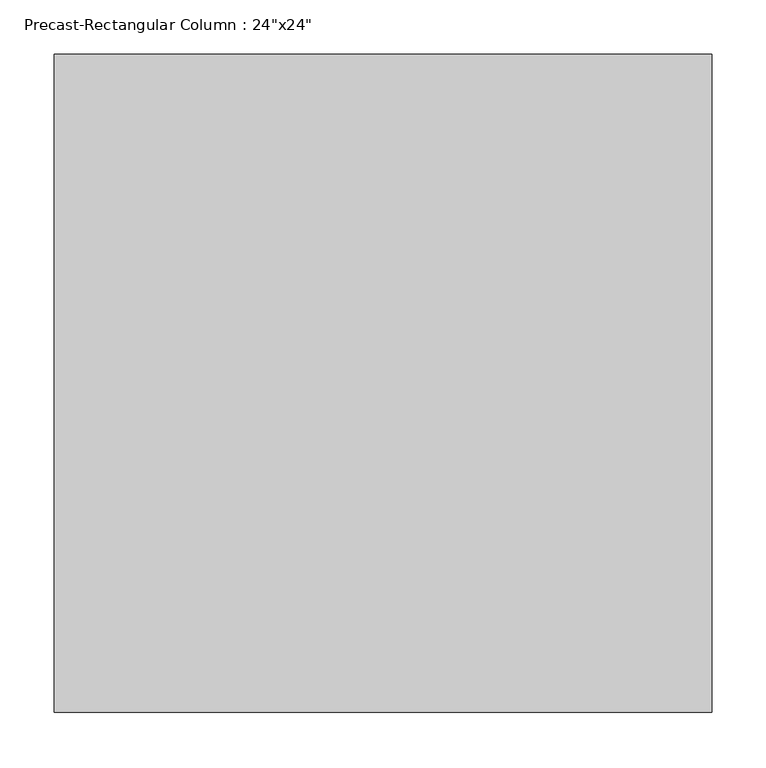
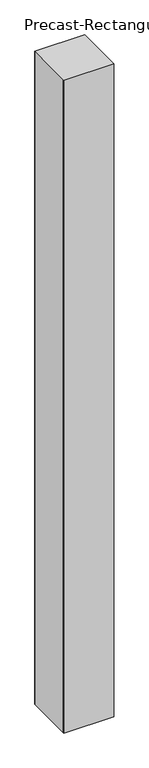
"""IFC4 building model written with IfcOpenShell, lengths in millimetres: column geometry."""

from ifc_helpers import new_model, si_unit, frame, origin, place, context, project, spatial, polyline, outline, extrude, source, transform, mapped, element, save


def column_36f44460(model_context):
    return source(origin(), model_context, "Body", "SweptSolid", [
        extrude(outline(polyline([(304.8, 304.8), (304.8, 294.8), (304.8, -294.8), (304.8, -304.8), (-304.8, -304.8), (-304.8, -294.8), (-304.8, 294.8), (-304.8, 304.8), (304.8, 304.8)])), frame((0.0, 0.0, -2387.6), z_axis=(0.0, 0.0, 1.0), x_axis=(1.0, 0.0, 0.0)), (0.0, 0.0, 1.0), 8433.6929687),
    ])


if __name__ == "__main__":
    model = new_model("IFC4")
    model_context = context("Model", 3, world=origin())
    ifc_project = project(units=[si_unit("LENGTHUNIT", "METRE", prefix="MILLI")], contexts=[model_context])
    site = spatial("IfcSite", under=ifc_project)
    building = spatial("IfcBuilding", under=site)
    placement = place(None, origin())
    column_shape = column_36f44460(model_context)
    element("IfcColumn", 1, ObjectType="Precast-Rectangular Column : 24\"x24\"", at=placement, inside=building, context=model_context, shape_type="MappedRepresentation", body=[
        mapped(column_shape, transform((0.0, 0.0, 0.0), x_axis=(1.0, 0.0, 0.0), y_axis=(0.0, 1.0, 0.0), z_axis=(0.0, 0.0, 1.0))),
    ])
    save(model, "model.ifc")
